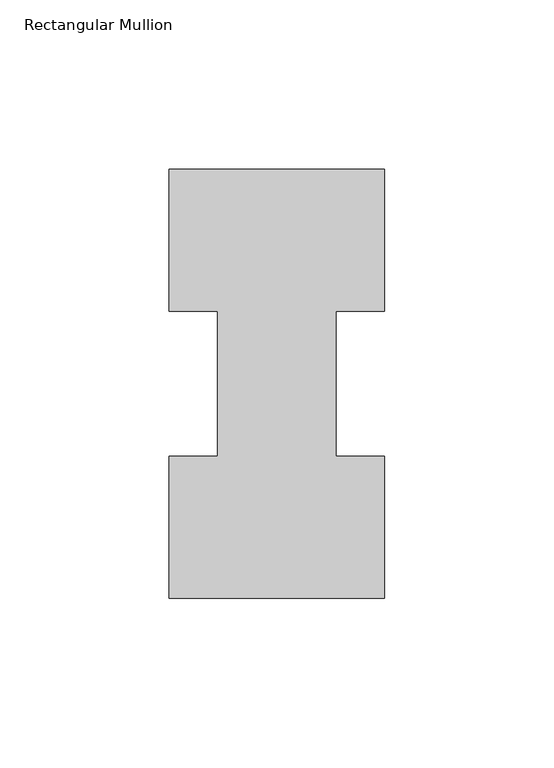
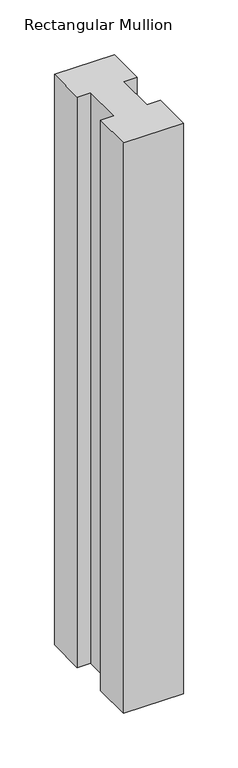
"""IFC4 building model written with IfcOpenShell, lengths in millimetres: member geometry, Rectangular Mullion."""

from ifc_helpers import new_model, si_unit, frame, origin, place, context, project, spatial, polyline, outline, extrude, source, transform, mapped, element, save


def rectangular_mullion_7329f8f9(model_context):
    return source(origin(), model_context, "Body", "SweptSolid", [
        extrude(outline(polyline([(-63.5, 0.26035), (-63.5, 42.08145), (-49.2125, 42.08145), (-49.2125, 84.93125), (-63.5, 84.93125), (-63.5, 126.75235), (0.0, 126.75235), (0.0, 84.93125), (-14.2748, 84.93125), (-14.2748, 42.08145), (0.0, 42.08145), (0.0, 0.26035), (-63.5, 0.26035)])), frame((0.0, 0.0, -638.175), z_axis=(0.0, 0.0, 1.0), x_axis=(1.0, 0.0, 0.0)), (0.0, 0.0, 1.0), 638.175),
    ])


if __name__ == "__main__":
    model = new_model("IFC4")
    model_context = context("Model", 3, world=origin())
    ifc_project = project(units=[si_unit("LENGTHUNIT", "METRE", prefix="MILLI")], contexts=[model_context])
    site = spatial("IfcSite", under=ifc_project)
    building = spatial("IfcBuilding", under=site)
    placement = place(None, origin())
    rectangular_mullion_shape = rectangular_mullion_7329f8f9(model_context)
    element("IfcMember", 1, ObjectType="Rectangular Mullion", at=placement, inside=building, context=model_context, shape_type="MappedRepresentation", body=[
        mapped(rectangular_mullion_shape, transform((0.0, 0.0, 0.0), x_axis=(1.0, 0.0, 0.0), y_axis=(0.0, 1.0, 0.0), z_axis=(0.0, 0.0, 1.0))),
    ])
    save(model, "model.ifc")
